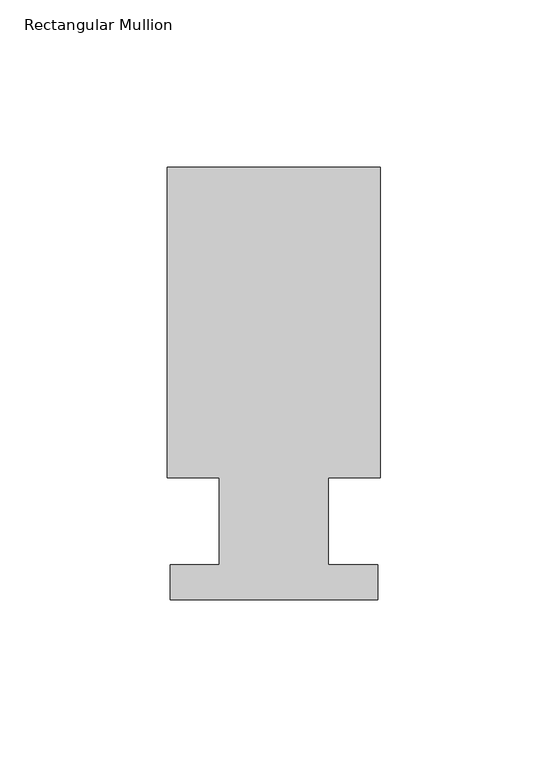
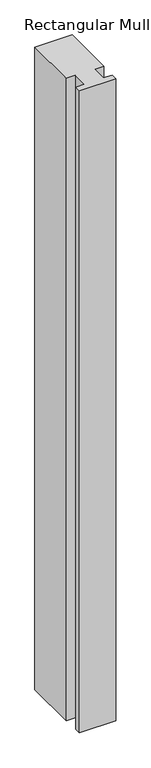
"""IFC4 building model written with IfcOpenShell, lengths in millimetres: member geometry, Rectangular Mullion."""

import ifcopenshell
import ifcopenshell.guid

model = None  # the IFC model being written
_history = None  # IfcOwnerHistory: only IFC2X3 demands one
_inside = {}  # id of a spatial element -> (the spatial element, [elements in it])
_under = {}  # id of a project, library or spatial element -> (it, [spatial elements below it])
_declared = {}  # id of a project -> (the project, [libraries it declares])
_typed = {}  # id of a type object -> (the type object, [elements of that type])
_made_of = {}  # id of a material, layer set ... -> (it, [elements and type objects made of it])


def new_model(schema):
    """Start an empty IFC model of exactly this schema.

    Asked for "IFC4X3", IfcOpenShell would pick the latest addendum, in which some entities
    have other attributes; the version numbers below select the first issue.
    IFC2X3 requires an IfcOwnerHistory on every rooted entity: one is made here for all.
    """
    global model, _history
    if schema == "IFC4X3":
        model = ifcopenshell.file(schema_version=(4, 3, 0, 0))
    else:
        model = ifcopenshell.file(schema=schema)
    _inside.clear()
    _under.clear()
    _declared.clear()
    _typed.clear()
    _made_of.clear()
    _history = None
    if model.schema == "IFC2X3":
        org = make("IfcOrganization", Name="unknown")
        user = make(
            "IfcPersonAndOrganization",
            ThePerson=make("IfcPerson", FamilyName="unknown"),
            TheOrganization=org,
        )
        app = make(
            "IfcApplication",
            ApplicationDeveloper=org,
            Version="unknown",
            ApplicationFullName="unknown",
            ApplicationIdentifier="unknown",
        )
        _history = make(
            "IfcOwnerHistory",
            OwningUser=user,
            OwningApplication=app,
            ChangeAction="ADDED",
            CreationDate=0,
        )
    return model


def make(cls, **values):
    """One entity of the class cls with the attributes given. An attribute that is None is left unset."""
    return model.create_entity(
        cls, **{name: value for name, value in values.items() if value is not None}
    )


def rooted(cls, **values):
    """An entity with a GlobalId (a new one), such as an element, a storey or a relation."""
    return make(cls, GlobalId=ifcopenshell.guid.new(), OwnerHistory=_history, **values)


def si_unit(unit_type, name, prefix=None):
    """IfcSIUnit, for example si_unit("LENGTHUNIT", "METRE", prefix="MILLI")."""
    return make("IfcSIUnit", UnitType=unit_type, Prefix=prefix, Name=name)


def assignment(units):
    """IfcUnitAssignment: the units of a project."""
    return None if units is None else make("IfcUnitAssignment", Units=units)


def point(xyz):
    """IfcCartesianPoint."""
    return None if xyz is None else make("IfcCartesianPoint", Coordinates=xyz)


def direction(xyz):
    """IfcDirection."""
    return None if xyz is None else make("IfcDirection", DirectionRatios=xyz)


def frame(location, z_axis=None, x_axis=None):
    """IfcAxis2Placement3D, a coordinate frame: its origin and axes. An axis left out is left unset."""
    return make(
        "IfcAxis2Placement3D",
        Location=point(location),
        Axis=direction(z_axis),
        RefDirection=direction(x_axis),
    )


def origin():
    """The frame at (0, 0, 0) with its axes left unset."""
    return frame((0.0, 0.0, 0.0))


def place(relative_to, where):
    """IfcLocalPlacement: puts the frame where relative to a parent placement (None: the world)."""
    return make(
        "IfcLocalPlacement", PlacementRelTo=relative_to, RelativePlacement=where
    )


def context(
    kind, dimensions, precision=None, world=None, true_north=None, identifier=None
):
    """IfcGeometricRepresentationContext, for example the 3D "Model" context."""
    return make(
        "IfcGeometricRepresentationContext",
        ContextIdentifier=identifier,
        ContextType=kind,
        CoordinateSpaceDimension=dimensions,
        Precision=precision,
        WorldCoordinateSystem=world,
        TrueNorth=true_north,
    )


def project(units=None, contexts=None):
    """IfcProject with its units and contexts."""
    return rooted(
        "IfcProject",
        Name="project",
        RepresentationContexts=contexts,
        UnitsInContext=assignment(units),
    )


def spatial(cls, under=None, at=None, **own):
    """A site, building, storey or space (cls), placed at a placement, below another one or the project."""
    s = rooted(cls, ObjectPlacement=at, **own)
    if under is not None:
        _under.setdefault(under.id(), (under, []))[1].append(s)
    return s


def polyline(points):
    """IfcPolyline through the points."""
    return make("IfcPolyline", Points=[point(p) for p in points])


def outline(outer, holes=None, kind="AREA"):
    """IfcArbitraryClosedProfileDef: a profile drawn as a closed curve; with holes, ...WithVoids."""
    if holes is None:
        return make("IfcArbitraryClosedProfileDef", ProfileType=kind, OuterCurve=outer)
    return make(
        "IfcArbitraryProfileDefWithVoids",
        ProfileType=kind,
        OuterCurve=outer,
        InnerCurves=holes,
    )


def extrude(swept, where, along, depth):
    """IfcExtrudedAreaSolid: the profile swept, set in the frame where, extruded along a direction by depth."""
    return make(
        "IfcExtrudedAreaSolid",
        SweptArea=swept,
        Position=where,
        ExtrudedDirection=direction(along),
        Depth=depth,
    )


def shape(context_of_items, identifier, shape_type, items):
    """IfcShapeRepresentation: the items that make up one representation, for example the "Body"."""
    return make(
        "IfcShapeRepresentation",
        ContextOfItems=context_of_items,
        RepresentationIdentifier=identifier,
        RepresentationType=shape_type,
        Items=items,
    )


def source(mapping_origin, context_of_items, identifier, shape_type, items):
    """IfcRepresentationMap: a shape defined once, which mapped items show again and again."""
    return make(
        "IfcRepresentationMap",
        MappingOrigin=mapping_origin,
        MappedRepresentation=shape(context_of_items, identifier, shape_type, items),
    )


def transform(
    local_origin,
    x_axis=None,
    y_axis=None,
    z_axis=None,
    scale=None,
    scale2=None,
    scale3=None,
    uniform=True,
):
    """IfcCartesianTransformationOperator3D, or its non-uniform kind. x_axis, y_axis, z_axis: its Axis1, 2, 3."""
    if uniform:
        return make(
            "IfcCartesianTransformationOperator3D",
            Axis1=direction(x_axis),
            Axis2=direction(y_axis),
            LocalOrigin=point(local_origin),
            Scale=scale,
            Axis3=direction(z_axis),
        )
    return make(
        "IfcCartesianTransformationOperator3DnonUniform",
        Axis1=direction(x_axis),
        Axis2=direction(y_axis),
        LocalOrigin=point(local_origin),
        Scale=scale,
        Axis3=direction(z_axis),
        Scale2=scale2,
        Scale3=scale3,
    )


def mapped(mapping_source, mapping_target):
    """IfcMappedItem: shows the shape of a source again, moved by a transform."""
    return make(
        "IfcMappedItem", MappingSource=mapping_source, MappingTarget=mapping_target
    )


def made_of(thing, what):
    """Note that an element or type object is made of a material, layer set ...; save() writes the relation."""
    if what is not None:
        _made_of.setdefault(what.id(), (what, []))[1].append(thing)
    return thing


def element(
    cls,
    number,
    at=None,
    inside=None,
    cuts=None,
    type_object=None,
    material=None,
    context=None,
    identifier="Body",
    shape_type=None,
    held_by="IfcProductDefinitionShape",
    body=None,
    shapes=None,
    **own,
):
    """One element of the class cls, such as IfcWall. Its Tag is "e" and its number.

    at: its placement. inside: the storey or other place that contains it. cuts: it is an
    opening in that element (IfcRelVoidsElement). A single representation is given by context,
    identifier, shape_type and body (its items); several are given by shapes. held_by: the class
    of the entity that holds the representations. save() writes the other relations.
    """
    e = rooted(cls, Tag="e%d" % number, ObjectPlacement=at, **own)
    if body is not None:
        shapes = [shape(context, identifier, shape_type, body)]
    if shapes is not None:
        e.Representation = make(held_by, Representations=shapes)
    if inside is not None:
        _inside.setdefault(inside.id(), (inside, []))[1].append(e)
    if cuts is not None:
        rooted(
            "IfcRelVoidsElement", RelatingBuildingElement=cuts, RelatedOpeningElement=e
        )
    if type_object is not None:
        _typed.setdefault(type_object.id(), (type_object, []))[1].append(e)
    return made_of(e, material)


def aggregate(whole, parts):
    """IfcRelAggregates: a whole, such as a stair, and the parts it consists of."""
    return rooted("IfcRelAggregates", RelatingObject=whole, RelatedObjects=parts)


def save(model, path):
    """Write the relations noted so far, then the file.

    IfcRelAggregates (storeys below a building ...), IfcRelContainedInSpatialStructure (elements
    in a storey), IfcRelDefinesByType, IfcRelAssociatesMaterial and IfcRelDeclares: one each for
    every whole, place, type object, material and project.
    """
    for whole, parts in _under.values():
        aggregate(whole, parts)
    for where, things in _inside.values():
        rooted(
            "IfcRelContainedInSpatialStructure",
            RelatedElements=things,
            RelatingStructure=where,
        )
    for kind, things in _typed.values():
        rooted("IfcRelDefinesByType", RelatedObjects=things, RelatingType=kind)
    for what, things in _made_of.values():
        rooted("IfcRelAssociatesMaterial", RelatedObjects=things, RelatingMaterial=what)
    for by, libraries in _declared.values():
        rooted("IfcRelDeclares", RelatingContext=by, RelatedDefinitions=libraries)
    model.write(path)


def rectangular_mullion_1e84e4c5(model_context):
    return source(origin(), model_context, "Body", "SweptSolid", [
        extrude(outline(polyline([(31.75, 126.9888875), (31.75, 34.3296875), (16.2687, 34.3296875), (16.2687, 8.3454875), (30.988, 8.3454875), (30.988, -2.0939125), (-30.988, -2.0939125), (-30.988, 8.3454875), (-16.2687, 8.3454875), (-16.2687, 34.3296875), (-31.75, 34.3296875), (-31.75, 126.9888875), (31.75, 126.9888875)])), frame((0.0, 0.0, -1155.7), z_axis=(0.0, 0.0, 1.0), x_axis=(1.0, 0.0, 0.0)), (0.0, 0.0, 1.0), 1155.7),
    ])


if __name__ == "__main__":
    model = new_model("IFC4")
    model_context = context("Model", 3, world=origin())
    ifc_project = project(units=[si_unit("LENGTHUNIT", "METRE", prefix="MILLI")], contexts=[model_context])
    site = spatial("IfcSite", under=ifc_project)
    building = spatial("IfcBuilding", under=site)
    placement = place(None, origin())
    rectangular_mullion_shape = rectangular_mullion_1e84e4c5(model_context)
    element("IfcMember", 1, ObjectType="Rectangular Mullion", at=placement, inside=building, context=model_context, shape_type="MappedRepresentation", body=[
        mapped(rectangular_mullion_shape, transform((0.0, 0.0, 0.0), x_axis=(1.0, 0.0, 0.0), y_axis=(0.0, 1.0, 0.0), z_axis=(0.0, 0.0, 1.0))),
    ])
    save(model, "model.ifc")
